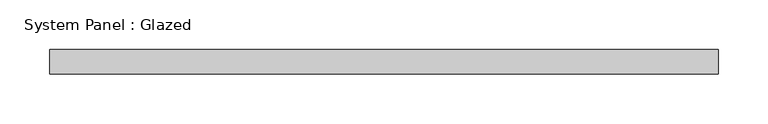
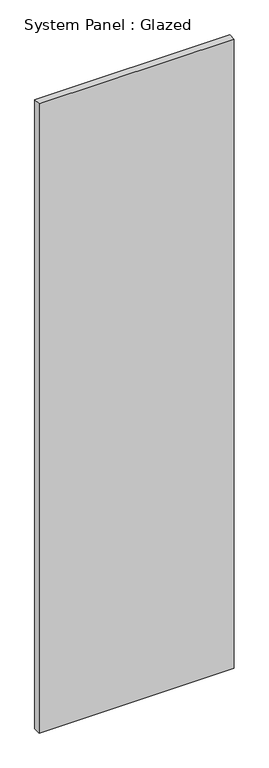
"""IFC4 building model written with IfcOpenShell, lengths in millimetres: plate geometry, System Panel : Glazed."""

from ifc_helpers import new_model, si_unit, origin, origin_with_axes, place, context, project, spatial, polyline, outline, extrude, source, transform, mapped, element, save


def system_panel_glazed_8be76bc8(model_context):
    return source(origin(), model_context, "Body", "SweptSolid", [
        extrude(outline(polyline([(337.4876027, -49.5), (-337.4876027, -49.5), (-337.4876027, -24.5), (337.4876027, -24.5), (337.4876027, -49.5)])), origin_with_axes(), (0.0, 0.0, 1.0), 2300.0),
    ])


if __name__ == "__main__":
    model = new_model("IFC4")
    model_context = context("Model", 3, world=origin())
    ifc_project = project(units=[si_unit("LENGTHUNIT", "METRE", prefix="MILLI")], contexts=[model_context])
    site = spatial("IfcSite", under=ifc_project)
    building = spatial("IfcBuilding", under=site)
    placement = place(None, origin())
    system_panel_glazed_shape = system_panel_glazed_8be76bc8(model_context)
    element("IfcPlate", 1, ObjectType="System Panel : Glazed", at=placement, inside=building, context=model_context, shape_type="MappedRepresentation", body=[
        mapped(system_panel_glazed_shape, transform((0.0, 0.0, 0.0), x_axis=(1.0, 0.0, 0.0), y_axis=(0.0, 1.0, 0.0), z_axis=(0.0, 0.0, 1.0))),
    ])
    save(model, "model.ifc")
